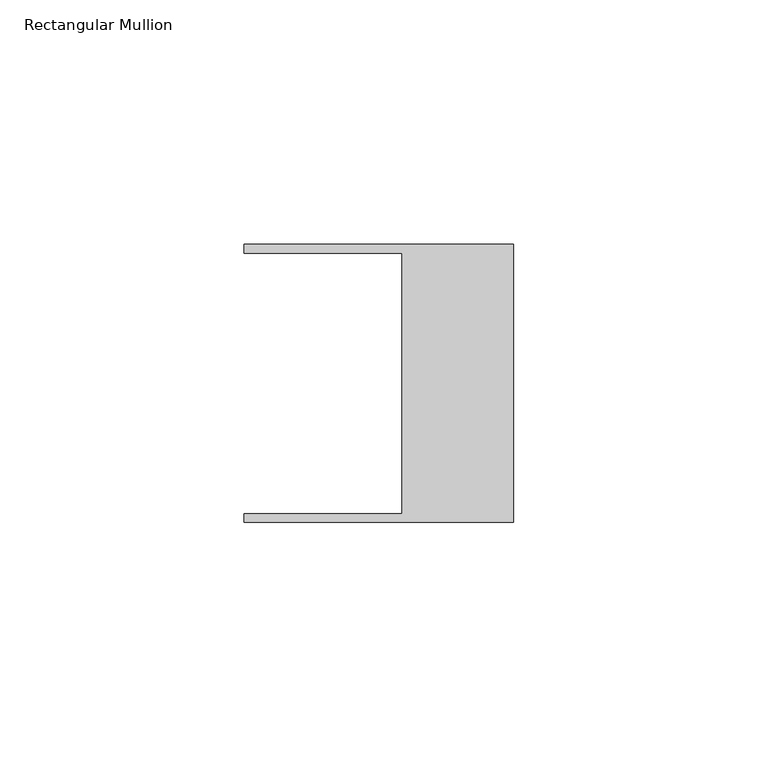
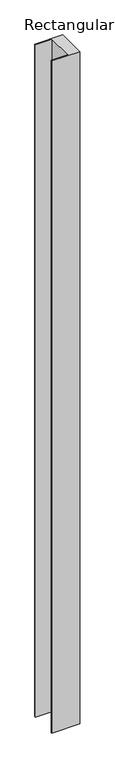
"""IFC4 building model written with IfcOpenShell, lengths in millimetres: member geometry, Rectangular Mullion."""

from ifc_helpers import new_model, si_unit, frame, origin, place, context, project, spatial, polyline, outline, extrude, source, transform, mapped, element, save


def rectangular_mullion_a753e4b7(model_context):
    return source(origin(), model_context, "Body", "SweptSolid", [
        extrude(outline(polyline([(-55.118, 26.67), (-55.118, 28.448), (0.0, 28.448), (0.0, -28.448), (-55.118, -28.448), (-55.118, -26.67), (-22.86, -26.67), (-22.86, 26.67), (-55.118, 26.67)])), frame((0.0, 0.0, -1397.0), z_axis=(0.0, 0.0, 1.0), x_axis=(1.0, 0.0, 0.0)), (0.0, 0.0, 1.0), 1397.0),
    ])


if __name__ == "__main__":
    model = new_model("IFC4")
    model_context = context("Model", 3, world=origin())
    ifc_project = project(units=[si_unit("LENGTHUNIT", "METRE", prefix="MILLI")], contexts=[model_context])
    site = spatial("IfcSite", under=ifc_project)
    building = spatial("IfcBuilding", under=site)
    placement = place(None, origin())
    rectangular_mullion_shape = rectangular_mullion_a753e4b7(model_context)
    element("IfcMember", 1, ObjectType="Rectangular Mullion", at=placement, inside=building, context=model_context, shape_type="MappedRepresentation", body=[
        mapped(rectangular_mullion_shape, transform((0.0, 0.0, 0.0), x_axis=(1.0, 0.0, 0.0), y_axis=(0.0, 1.0, 0.0), z_axis=(0.0, 0.0, 1.0))),
    ])
    save(model, "model.ifc")
